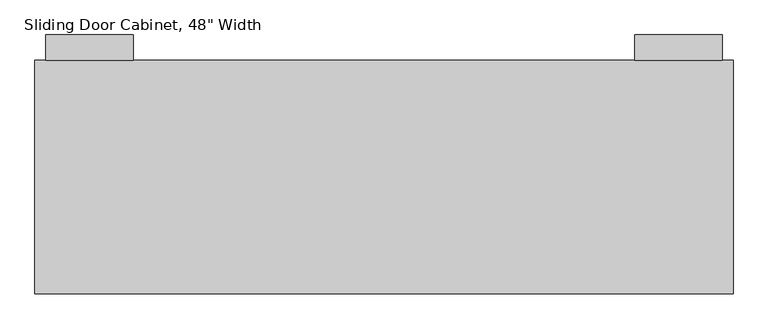
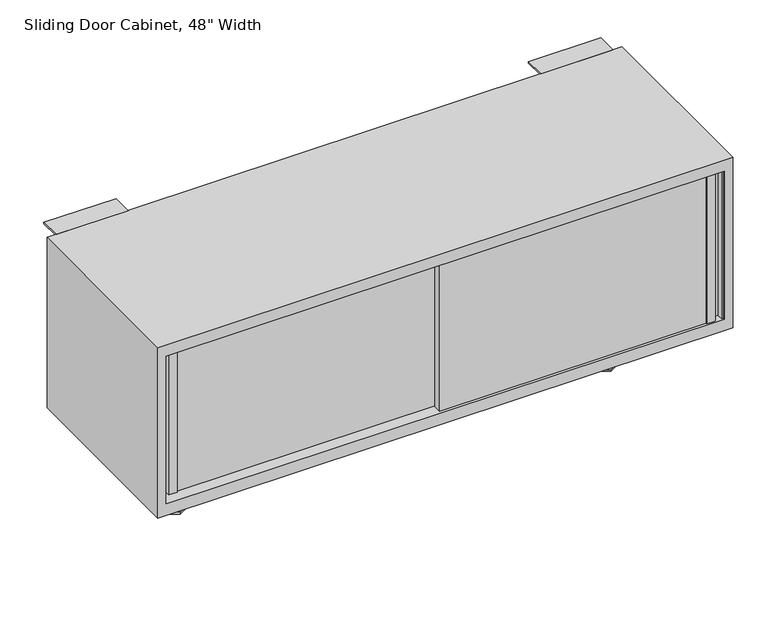
"""IFC4 building model written with IfcOpenShell, lengths in millimetres: furniture geometry."""

from ifc_helpers import new_model, si_unit, point, frame, frame_2d, origin, origin_with_axes, place, context, project, spatial, polyline, circle_curve, trimmed, segment, composite_curve, outline, extrude, faceted_brep, source, transform, mapped, element, save


def furniture_c8d8c331(model_context):
    return source(origin(), model_context, "Body", "SolidModel", [
        extrude(outline(composite_curve([segment(trimmed(circle_curve(frame_2d((-609.6, -176.6800781)), 3.9782717), [point((-609.6, -172.7018065))], [point((-609.6, -180.6583498))], False, "CARTESIAN"), True, "CONTINUOUS"), segment(trimmed(circle_curve(frame_2d((-609.6, -176.6800781)), 3.9782717), [point((-609.6, -180.6583498))], [point((-609.6, -172.7018065))], False, "CARTESIAN"), True, "CONTINUOUS")], self_intersect=False)), frame((0.0, 0.0, 3.794115), z_axis=(0.0, 0.0, 1.0), x_axis=(1.0, 0.0, 0.0)), (0.0, 0.0, 1.0), 26.230875),
        extrude(outline(composite_curve([segment(trimmed(circle_curve(frame_2d((301.752, -176.6800781)), 3.9782717), [point((301.752, -172.7018065))], [point((301.752, -180.6583498))], False, "CARTESIAN"), True, "CONTINUOUS"), segment(trimmed(circle_curve(frame_2d((301.752, -176.6800781)), 3.9782717), [point((301.752, -180.6583498))], [point((301.752, -172.7018065))], False, "CARTESIAN"), True, "CONTINUOUS")], self_intersect=False)), frame((0.0, 0.0, 3.794115), z_axis=(0.0, 0.0, 1.0), x_axis=(1.0, 0.0, 0.0)), (0.0, 0.0, 1.0), 26.230875),
        extrude(outline(polyline([(284.2779143, -166.5914101), (301.752, -156.502742), (319.2260857, -166.5914101), (319.2260857, -186.7687462), (301.752, -196.8574143), (284.2779143, -186.7687462), (284.2779143, -166.5914101)])), origin_with_axes(), (0.0, 0.0, 1.0), 3.794115),
        extrude(outline(polyline([(-627.0740857, -166.5914101), (-609.6, -156.502742), (-592.1259143, -166.5914101), (-592.1259143, -186.7687462), (-609.6, -196.8574143), (-627.0740857, -186.7687462), (-627.0740857, -166.5914101)])), origin_with_axes(), (0.0, 0.0, 1.0), 3.794115),
        extrude(outline(polyline([(-708.7275816, -354.8480781), (-708.7275816, -357.3480781), (-726.3275816, -357.3480781), (-726.3275816, -341.3098281), (-740.0275816, -341.3098281), (-740.0275816, -357.3480781), (-743.6275816, -357.3480781), (-743.6275816, -339.3098281), (-723.8275816, -339.3098281), (-723.8275816, -354.8480781), (-708.7275816, -354.8480781)])), frame((0.0, 0.0, 180.975), z_axis=(0.0, 0.0, 1.0), x_axis=(1.0, 0.0, 0.0)), (0.0, 0.0, 1.0), 330.2),
        extrude(outline(polyline([(400.9035816, -374.8080781), (416.0035816, -374.8080781), (416.0035816, -361.8080781), (435.8035816, -361.8080781), (435.8035816, -377.3080781), (432.2035816, -377.3080781), (432.2035816, -363.8080781), (418.5035816, -363.8080781), (418.5035816, -377.3080781), (400.9035816, -377.3080781), (400.9035816, -374.8080781)])), frame((0.0, 0.0, 180.975), z_axis=(0.0, 0.0, 1.0), x_axis=(1.0, 0.0, 0.0)), (0.0, 0.0, 1.0), 330.2),
        extrude(outline(polyline([(-162.8144184, -357.0080781), (416.0035816, -357.0080781), (416.0035816, -374.8080781), (-162.8144184, -374.8080781), (-162.8144184, -357.0080781)])), frame((0.0, 0.0, 180.975), z_axis=(0.0, 0.0, 1.0), x_axis=(1.0, 0.0, 0.0)), (0.0, 0.0, 1.0), 330.2),
        extrude(outline(polyline([(-723.8275816, -337.0480781), (-145.034, -337.0480781), (-145.034, -354.8480781), (-723.8275816, -354.8480781), (-723.8275816, -337.0480781)])), frame((0.0, 0.0, 180.975), z_axis=(0.0, 0.0, 1.0), x_axis=(1.0, 0.0, 0.0)), (0.0, 0.0, 1.0), 330.2),
        extrude(outline(polyline([(291.7444, -157.6300781), (311.7596, -157.6300781), (311.7596, -195.7300781), (291.7444, -195.7300781), (291.7444, -157.6300781)])), frame((0.0, 0.0, 30.02499), z_axis=(0.0, 0.0, 1.0), x_axis=(1.0, 0.0, 0.0)), (0.0, 0.0, 1.0), 125.55001),
        extrude(outline(polyline([(-619.6, -157.6300781), (-599.6, -157.6300781), (-599.6, -195.7300781), (-619.6, -195.7300781), (-619.6, -157.6300781)])), frame((0.0, 0.0, 30.02499), z_axis=(0.0, 0.0, 1.0), x_axis=(1.0, 0.0, 0.0)), (0.0, 0.0, 1.0), 125.55001),
        extrude(outline(polyline([(26.5199219, 508.77499), (26.5199219, 536.575), (70.8140505, 536.575), (70.8140505, 533.80049), (29.2199219, 533.80049), (29.2199219, 508.77499), (26.5199219, 508.77499)])), frame((282.676, 0.0, 0.0), z_axis=(1.0, 0.0, 0.0), x_axis=(0.0, 1.0, 0.0)), (0.0, 0.0, 1.0), 152.4),
        extrude(outline(polyline([(26.5199219, 536.575), (70.8140505, 536.575), (70.8140505, 533.80049), (29.2199219, 533.80049), (29.2199219, 508.77499), (26.5199219, 508.77499), (26.5199219, 536.575)])), frame((-742.9, 0.0, 0.0), z_axis=(1.0, 0.0, 0.0), x_axis=(0.0, 1.0, 0.0)), (0.0, 0.0, 1.0), 152.4),
        faceted_brep([(454.152, -379.8800781, 536.575), (454.152, 26.5199219, 536.575), (-762.0, 26.5199219, 536.575), (-762.0, -379.8800781, 536.575), (454.152, 26.5199219, 155.575), (454.152, -379.8800781, 155.575), (-762.0, -379.8800781, 155.575), (-762.0, 26.5199219, 155.575), (436.372, -379.8800781, 180.975), (436.372, -379.8800781, 511.175), (436.372, 1.1199219, 511.175), (436.372, 1.1199219, 180.975), (-744.22, -379.8800781, 180.975), (-744.22, -379.8800781, 511.175), (-744.22, 1.1199219, 180.975), (-744.22, 1.1199219, 511.175)], [[[0, 1, 2, 3]], [[4, 5, 6, 7]], [[8, 9, 10, 11]], [[0, 3, 6, 5], [8, 12, 13, 9]], [[1, 0, 5, 4]], [[2, 1, 4, 7]], [[6, 3, 2, 7]], [[13, 12, 14, 15]], [[12, 8, 11, 14]], [[14, 11, 10, 15]], [[9, 13, 15, 10]]]),
    ])


if __name__ == "__main__":
    model = new_model("IFC4")
    model_context = context("Model", 3, world=origin())
    ifc_project = project(units=[si_unit("LENGTHUNIT", "METRE", prefix="MILLI")], contexts=[model_context])
    site = spatial("IfcSite", under=ifc_project)
    building = spatial("IfcBuilding", under=site)
    placement = place(None, origin())
    furniture_shape = furniture_c8d8c331(model_context)
    element("IfcFurniture", 1, ObjectType="Sliding Door Cabinet, 48\" Width", at=placement, inside=building, context=model_context, shape_type="MappedRepresentation", body=[
        mapped(furniture_shape, transform((0.0, 0.0, 0.0), x_axis=(1.0, 0.0, 0.0), y_axis=(0.0, 1.0, 0.0), z_axis=(0.0, 0.0, 1.0))),
    ])
    save(model, "model.ifc")
